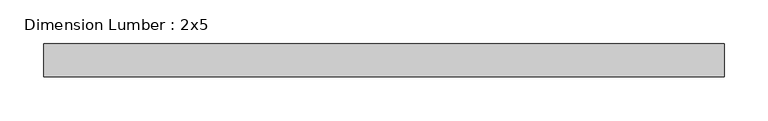
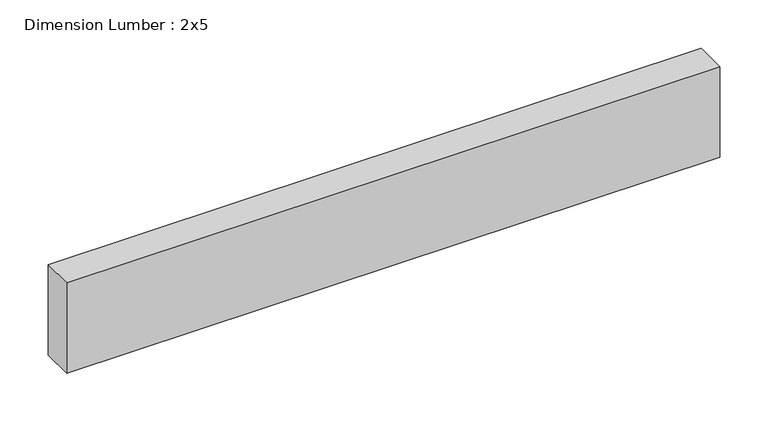
"""IFC4 building model written with IfcOpenShell, lengths in millimetres: beam geometry, Dimension Lumber : 2x5."""

import ifcopenshell
import ifcopenshell.guid

model = None  # the IFC model being written
_history = None  # IfcOwnerHistory: only IFC2X3 demands one
_inside = {}  # id of a spatial element -> (the spatial element, [elements in it])
_under = {}  # id of a project, library or spatial element -> (it, [spatial elements below it])
_declared = {}  # id of a project -> (the project, [libraries it declares])
_typed = {}  # id of a type object -> (the type object, [elements of that type])
_made_of = {}  # id of a material, layer set ... -> (it, [elements and type objects made of it])


def new_model(schema):
    """Start an empty IFC model of exactly this schema.

    Asked for "IFC4X3", IfcOpenShell would pick the latest addendum, in which some entities
    have other attributes; the version numbers below select the first issue.
    IFC2X3 requires an IfcOwnerHistory on every rooted entity: one is made here for all.
    """
    global model, _history
    if schema == "IFC4X3":
        model = ifcopenshell.file(schema_version=(4, 3, 0, 0))
    else:
        model = ifcopenshell.file(schema=schema)
    _inside.clear()
    _under.clear()
    _declared.clear()
    _typed.clear()
    _made_of.clear()
    _history = None
    if model.schema == "IFC2X3":
        org = make("IfcOrganization", Name="unknown")
        user = make(
            "IfcPersonAndOrganization",
            ThePerson=make("IfcPerson", FamilyName="unknown"),
            TheOrganization=org,
        )
        app = make(
            "IfcApplication",
            ApplicationDeveloper=org,
            Version="unknown",
            ApplicationFullName="unknown",
            ApplicationIdentifier="unknown",
        )
        _history = make(
            "IfcOwnerHistory",
            OwningUser=user,
            OwningApplication=app,
            ChangeAction="ADDED",
            CreationDate=0,
        )
    return model


def make(cls, **values):
    """One entity of the class cls with the attributes given. An attribute that is None is left unset."""
    return model.create_entity(
        cls, **{name: value for name, value in values.items() if value is not None}
    )


def rooted(cls, **values):
    """An entity with a GlobalId (a new one), such as an element, a storey or a relation."""
    return make(cls, GlobalId=ifcopenshell.guid.new(), OwnerHistory=_history, **values)


def si_unit(unit_type, name, prefix=None):
    """IfcSIUnit, for example si_unit("LENGTHUNIT", "METRE", prefix="MILLI")."""
    return make("IfcSIUnit", UnitType=unit_type, Prefix=prefix, Name=name)


def assignment(units):
    """IfcUnitAssignment: the units of a project."""
    return None if units is None else make("IfcUnitAssignment", Units=units)


def point(xyz):
    """IfcCartesianPoint."""
    return None if xyz is None else make("IfcCartesianPoint", Coordinates=xyz)


def direction(xyz):
    """IfcDirection."""
    return None if xyz is None else make("IfcDirection", DirectionRatios=xyz)


def frame(location, z_axis=None, x_axis=None):
    """IfcAxis2Placement3D, a coordinate frame: its origin and axes. An axis left out is left unset."""
    return make(
        "IfcAxis2Placement3D",
        Location=point(location),
        Axis=direction(z_axis),
        RefDirection=direction(x_axis),
    )


def origin():
    """The frame at (0, 0, 0) with its axes left unset."""
    return frame((0.0, 0.0, 0.0))


def place(relative_to, where):
    """IfcLocalPlacement: puts the frame where relative to a parent placement (None: the world)."""
    return make(
        "IfcLocalPlacement", PlacementRelTo=relative_to, RelativePlacement=where
    )


def context(
    kind, dimensions, precision=None, world=None, true_north=None, identifier=None
):
    """IfcGeometricRepresentationContext, for example the 3D "Model" context."""
    return make(
        "IfcGeometricRepresentationContext",
        ContextIdentifier=identifier,
        ContextType=kind,
        CoordinateSpaceDimension=dimensions,
        Precision=precision,
        WorldCoordinateSystem=world,
        TrueNorth=true_north,
    )


def project(units=None, contexts=None):
    """IfcProject with its units and contexts."""
    return rooted(
        "IfcProject",
        Name="project",
        RepresentationContexts=contexts,
        UnitsInContext=assignment(units),
    )


def spatial(cls, under=None, at=None, **own):
    """A site, building, storey or space (cls), placed at a placement, below another one or the project."""
    s = rooted(cls, ObjectPlacement=at, **own)
    if under is not None:
        _under.setdefault(under.id(), (under, []))[1].append(s)
    return s


def polyline(points):
    """IfcPolyline through the points."""
    return make("IfcPolyline", Points=[point(p) for p in points])


def outline(outer, holes=None, kind="AREA"):
    """IfcArbitraryClosedProfileDef: a profile drawn as a closed curve; with holes, ...WithVoids."""
    if holes is None:
        return make("IfcArbitraryClosedProfileDef", ProfileType=kind, OuterCurve=outer)
    return make(
        "IfcArbitraryProfileDefWithVoids",
        ProfileType=kind,
        OuterCurve=outer,
        InnerCurves=holes,
    )


def extrude(swept, where, along, depth):
    """IfcExtrudedAreaSolid: the profile swept, set in the frame where, extruded along a direction by depth."""
    return make(
        "IfcExtrudedAreaSolid",
        SweptArea=swept,
        Position=where,
        ExtrudedDirection=direction(along),
        Depth=depth,
    )


def shape(context_of_items, identifier, shape_type, items):
    """IfcShapeRepresentation: the items that make up one representation, for example the "Body"."""
    return make(
        "IfcShapeRepresentation",
        ContextOfItems=context_of_items,
        RepresentationIdentifier=identifier,
        RepresentationType=shape_type,
        Items=items,
    )


def source(mapping_origin, context_of_items, identifier, shape_type, items):
    """IfcRepresentationMap: a shape defined once, which mapped items show again and again."""
    return make(
        "IfcRepresentationMap",
        MappingOrigin=mapping_origin,
        MappedRepresentation=shape(context_of_items, identifier, shape_type, items),
    )


def transform(
    local_origin,
    x_axis=None,
    y_axis=None,
    z_axis=None,
    scale=None,
    scale2=None,
    scale3=None,
    uniform=True,
):
    """IfcCartesianTransformationOperator3D, or its non-uniform kind. x_axis, y_axis, z_axis: its Axis1, 2, 3."""
    if uniform:
        return make(
            "IfcCartesianTransformationOperator3D",
            Axis1=direction(x_axis),
            Axis2=direction(y_axis),
            LocalOrigin=point(local_origin),
            Scale=scale,
            Axis3=direction(z_axis),
        )
    return make(
        "IfcCartesianTransformationOperator3DnonUniform",
        Axis1=direction(x_axis),
        Axis2=direction(y_axis),
        LocalOrigin=point(local_origin),
        Scale=scale,
        Axis3=direction(z_axis),
        Scale2=scale2,
        Scale3=scale3,
    )


def mapped(mapping_source, mapping_target):
    """IfcMappedItem: shows the shape of a source again, moved by a transform."""
    return make(
        "IfcMappedItem", MappingSource=mapping_source, MappingTarget=mapping_target
    )


def made_of(thing, what):
    """Note that an element or type object is made of a material, layer set ...; save() writes the relation."""
    if what is not None:
        _made_of.setdefault(what.id(), (what, []))[1].append(thing)
    return thing


def element(
    cls,
    number,
    at=None,
    inside=None,
    cuts=None,
    type_object=None,
    material=None,
    context=None,
    identifier="Body",
    shape_type=None,
    held_by="IfcProductDefinitionShape",
    body=None,
    shapes=None,
    **own,
):
    """One element of the class cls, such as IfcWall. Its Tag is "e" and its number.

    at: its placement. inside: the storey or other place that contains it. cuts: it is an
    opening in that element (IfcRelVoidsElement). A single representation is given by context,
    identifier, shape_type and body (its items); several are given by shapes. held_by: the class
    of the entity that holds the representations. save() writes the other relations.
    """
    e = rooted(cls, Tag="e%d" % number, ObjectPlacement=at, **own)
    if body is not None:
        shapes = [shape(context, identifier, shape_type, body)]
    if shapes is not None:
        e.Representation = make(held_by, Representations=shapes)
    if inside is not None:
        _inside.setdefault(inside.id(), (inside, []))[1].append(e)
    if cuts is not None:
        rooted(
            "IfcRelVoidsElement", RelatingBuildingElement=cuts, RelatedOpeningElement=e
        )
    if type_object is not None:
        _typed.setdefault(type_object.id(), (type_object, []))[1].append(e)
    return made_of(e, material)


def aggregate(whole, parts):
    """IfcRelAggregates: a whole, such as a stair, and the parts it consists of."""
    return rooted("IfcRelAggregates", RelatingObject=whole, RelatedObjects=parts)


def save(model, path):
    """Write the relations noted so far, then the file.

    IfcRelAggregates (storeys below a building ...), IfcRelContainedInSpatialStructure (elements
    in a storey), IfcRelDefinesByType, IfcRelAssociatesMaterial and IfcRelDeclares: one each for
    every whole, place, type object, material and project.
    """
    for whole, parts in _under.values():
        aggregate(whole, parts)
    for where, things in _inside.values():
        rooted(
            "IfcRelContainedInSpatialStructure",
            RelatedElements=things,
            RelatingStructure=where,
        )
    for kind, things in _typed.values():
        rooted("IfcRelDefinesByType", RelatedObjects=things, RelatingType=kind)
    for what, things in _made_of.values():
        rooted("IfcRelAssociatesMaterial", RelatedObjects=things, RelatingMaterial=what)
    for by, libraries in _declared.values():
        rooted("IfcRelDeclares", RelatingContext=by, RelatedDefinitions=libraries)
    model.write(path)


def dimension_lumber_2x5_2020e2f1(model_context):
    return source(origin(), model_context, "Body", "SweptSolid", [
        extrude(outline(polyline([(389.4256469, 19.05), (389.4256469, -19.05), (-389.4256469, -19.05), (-389.4256469, 19.05), (389.4256469, 19.05)])), frame((0.0, 0.0, -57.15), z_axis=(0.0, 0.0, 1.0), x_axis=(1.0, 0.0, 0.0)), (0.0, 0.0, 1.0), 114.3),
    ])


if __name__ == "__main__":
    model = new_model("IFC4")
    model_context = context("Model", 3, world=origin())
    ifc_project = project(units=[si_unit("LENGTHUNIT", "METRE", prefix="MILLI")], contexts=[model_context])
    site = spatial("IfcSite", under=ifc_project)
    building = spatial("IfcBuilding", under=site)
    placement = place(None, origin())
    dimension_lumber_2x5_shape = dimension_lumber_2x5_2020e2f1(model_context)
    element("IfcBeam", 1, ObjectType="Dimension Lumber : 2x5", at=placement, inside=building, context=model_context, shape_type="MappedRepresentation", body=[
        mapped(dimension_lumber_2x5_shape, transform((0.0, 0.0, 0.0), x_axis=(1.0, 0.0, 0.0), y_axis=(0.0, 1.0, 0.0), z_axis=(0.0, 0.0, 1.0))),
    ])
    save(model, "model.ifc")
